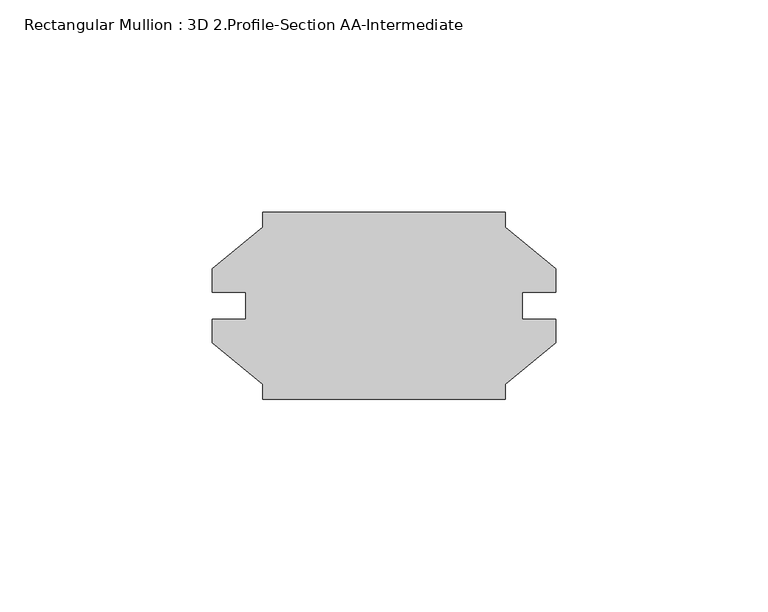
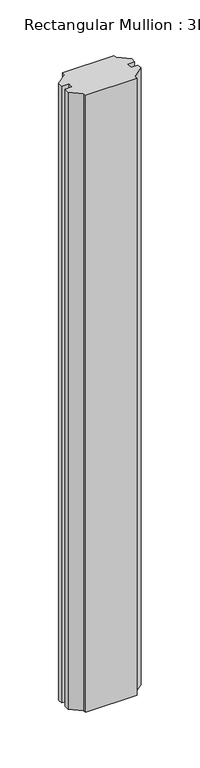
"""IFC4 building model written with IfcOpenShell, lengths in millimetres: member geometry, Rectangular Mullion : 3D 2.Profile-Section AA-Intermediate."""

from ifc_helpers import new_model, si_unit, frame, origin, place, context, project, spatial, polyline, outline, extrude, source, transform, mapped, element, save


def rectangular_mullion_3d_2_profile_section_aa_intermediate_a9ec7d23(model_context):
    return source(origin(), model_context, "Body", "SweptSolid", [
        extrude(outline(polyline([(-28.575, -22.0345), (-28.575, -18.518836), (-40.48125, -8.7503), (-40.48125, -3.175), (-32.5374, -3.175), (-32.5374, 3.175), (-40.48125, 3.175), (-40.48125, 8.7503), (-28.575, 18.518836), (-28.575, 22.0345), (28.575, 22.0345), (28.575, 18.518836), (40.48125, 8.7503), (40.48125, 3.175), (32.5374, 3.175), (32.5374, -3.175), (40.48125, -3.175), (40.48125, -8.7503), (28.575, -18.518836), (28.575, -22.0345), (-28.575, -22.0345)])), frame((0.0, 0.0, -723.1253), z_axis=(0.0, 0.0, 1.0), x_axis=(1.0, 0.0, 0.0)), (0.0, 0.0, 1.0), 723.1253),
    ])


if __name__ == "__main__":
    model = new_model("IFC4")
    model_context = context("Model", 3, world=origin())
    ifc_project = project(units=[si_unit("LENGTHUNIT", "METRE", prefix="MILLI")], contexts=[model_context])
    site = spatial("IfcSite", under=ifc_project)
    building = spatial("IfcBuilding", under=site)
    placement = place(None, origin())
    rectangular_mullion_3d_2_profile_section_aa_intermediate_shape = rectangular_mullion_3d_2_profile_section_aa_intermediate_a9ec7d23(model_context)
    element("IfcMember", 1, ObjectType="Rectangular Mullion : 3D 2.Profile-Section AA-Intermediate", at=placement, inside=building, context=model_context, shape_type="MappedRepresentation", body=[
        mapped(rectangular_mullion_3d_2_profile_section_aa_intermediate_shape, transform((0.0, 0.0, 0.0), x_axis=(1.0, 0.0, 0.0), y_axis=(0.0, 1.0, 0.0), z_axis=(0.0, 0.0, 1.0))),
    ])
    save(model, "model.ifc")
